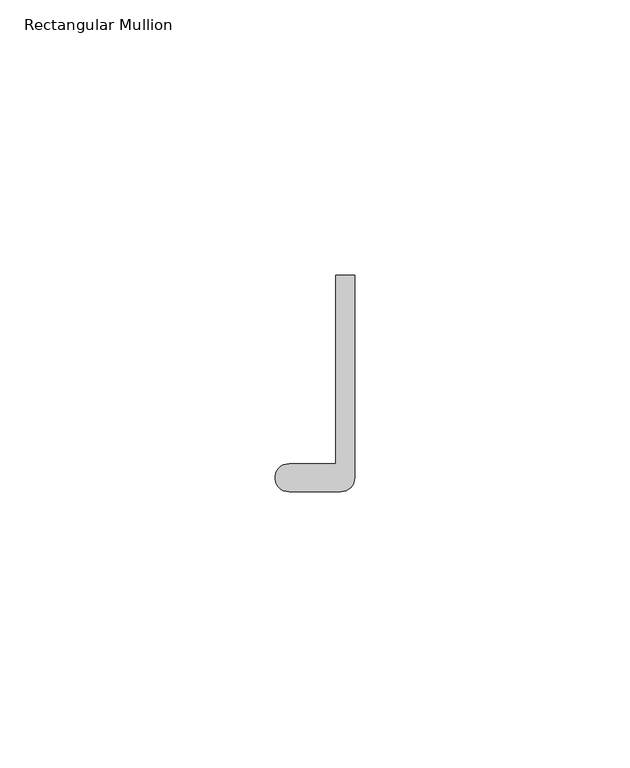
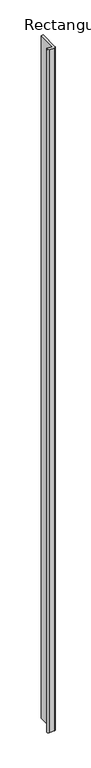
"""IFC4 building model written with IfcOpenShell, lengths in millimetres: member geometry, Rectangular Mullion."""

from ifc_helpers import new_model, si_unit, point, frame, frame_2d, origin, place, context, project, spatial, polyline, circle_curve, trimmed, segment, composite_curve, outline, extrude, source, transform, mapped, element, save


def rectangular_mullion_1bcf8777(model_context):
    return source(origin(), model_context, "Body", "SweptSolid", [
        extrude(outline(composite_curve([segment(polyline([(-1.651, -33.7200875), (-1.651, 0.5953125), (1.778, 0.5953125), (1.778, -36.2600875)]), True, "CONTINUOUS"), segment(trimmed(circle_curve(frame_2d((-0.762, -36.2600875)), 2.54), [point((1.778, -36.2600875))], [point((-0.762, -38.8000875))], False, "CARTESIAN"), True, "CONTINUOUS"), segment(polyline([(-0.762, -38.8000875), (-10.16, -38.8000875)]), True, "CONTINUOUS"), segment(trimmed(circle_curve(frame_2d((-10.16, -36.2600875)), 2.54), [point((-10.16, -38.8000875))], [point((-10.16, -33.7200875))], False, "CARTESIAN"), True, "CONTINUOUS"), segment(polyline([(-10.16, -33.7200875), (-1.651, -33.7200875)]), True, "CONTINUOUS")], self_intersect=False)), frame((0.0, 0.0, -1285.875), z_axis=(0.0, 0.0, 1.0), x_axis=(1.0, 0.0, 0.0)), (0.0, 0.0, 1.0), 1285.875),
    ])


if __name__ == "__main__":
    model = new_model("IFC4")
    model_context = context("Model", 3, world=origin())
    ifc_project = project(units=[si_unit("LENGTHUNIT", "METRE", prefix="MILLI")], contexts=[model_context])
    site = spatial("IfcSite", under=ifc_project)
    building = spatial("IfcBuilding", under=site)
    placement = place(None, origin())
    rectangular_mullion_shape = rectangular_mullion_1bcf8777(model_context)
    element("IfcMember", 1, ObjectType="Rectangular Mullion", at=placement, inside=building, context=model_context, shape_type="MappedRepresentation", body=[
        mapped(rectangular_mullion_shape, transform((0.0, 0.0, 0.0), x_axis=(1.0, 0.0, 0.0), y_axis=(0.0, 1.0, 0.0), z_axis=(0.0, 0.0, 1.0))),
    ])
    save(model, "model.ifc")
